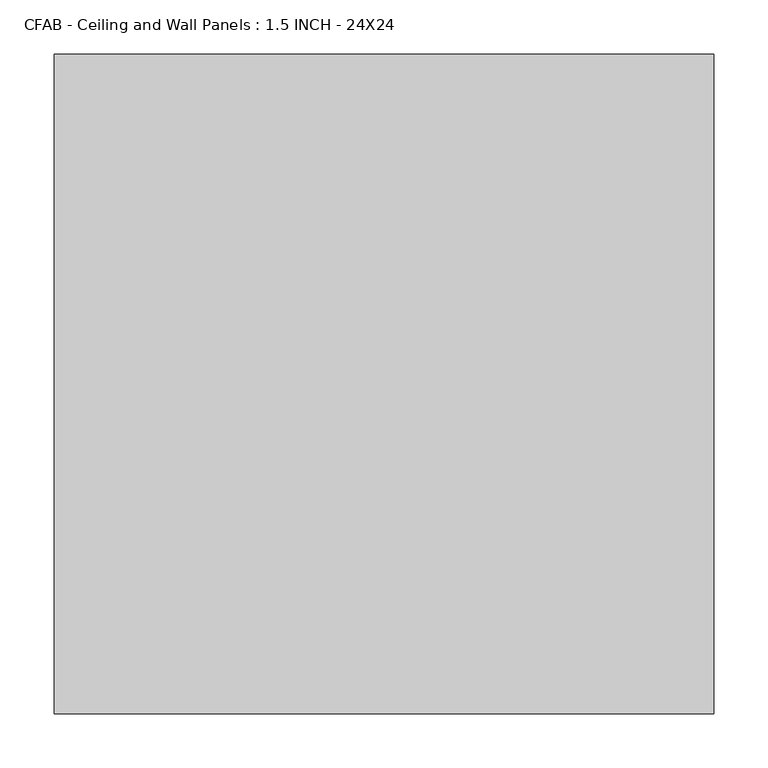
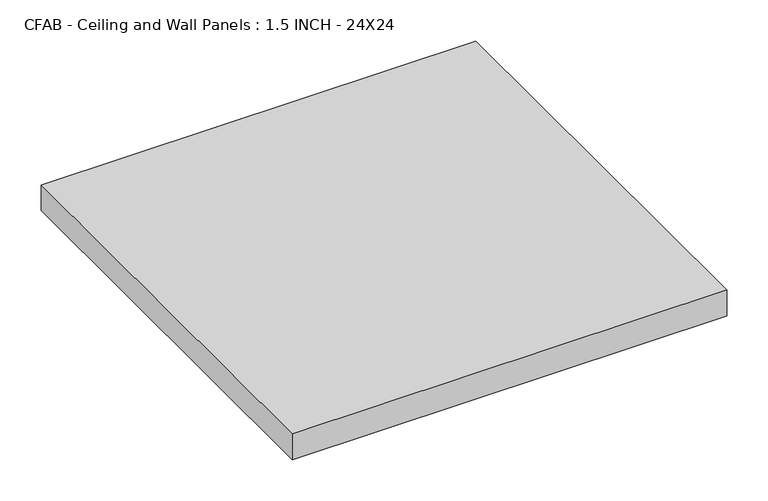
"""IFC4 building model written with IfcOpenShell, lengths in millimetres: proxy geometry, CFAB - Ceiling and Wall Panels : 1.5 INCH - 24X24."""

from ifc_helpers import new_model, si_unit, origin, origin_with_axes, place, context, project, spatial, polyline, outline, extrude, source, transform, mapped, element, save


def cfab_ceiling_and_wall_panels_1_5_inch_24x24_b4debca4(model_context):
    return source(origin(), model_context, "Body", "SweptSolid", [
        extrude(outline(polyline([(-304.8, 304.8), (304.8, 304.8), (304.8, -304.8), (-304.8, -304.8), (-304.8, 304.8)])), origin_with_axes(), (0.0, 0.0, 1.0), 38.1),
    ])


if __name__ == "__main__":
    model = new_model("IFC4")
    model_context = context("Model", 3, world=origin())
    ifc_project = project(units=[si_unit("LENGTHUNIT", "METRE", prefix="MILLI")], contexts=[model_context])
    site = spatial("IfcSite", under=ifc_project)
    building = spatial("IfcBuilding", under=site)
    placement = place(None, origin())
    cfab_ceiling_and_wall_panels_1_5_inch_24x24_shape = cfab_ceiling_and_wall_panels_1_5_inch_24x24_b4debca4(model_context)
    element("IfcBuildingElementProxy", 1, Name="CFAB - Ceiling and Wall Panels : 1.5 INCH - 24X24", ObjectType="CFAB - Ceiling and Wall Panels : 1.5 INCH - 24X24", at=placement, inside=building, context=model_context, shape_type="MappedRepresentation", body=[
        mapped(cfab_ceiling_and_wall_panels_1_5_inch_24x24_shape, transform((0.0, 0.0, 0.0), x_axis=(1.0, 0.0, 0.0), y_axis=(0.0, 1.0, 0.0), z_axis=(0.0, 0.0, 1.0))),
    ])
    save(model, "model.ifc")
